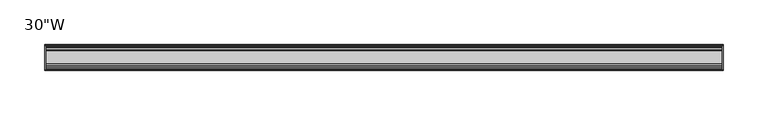
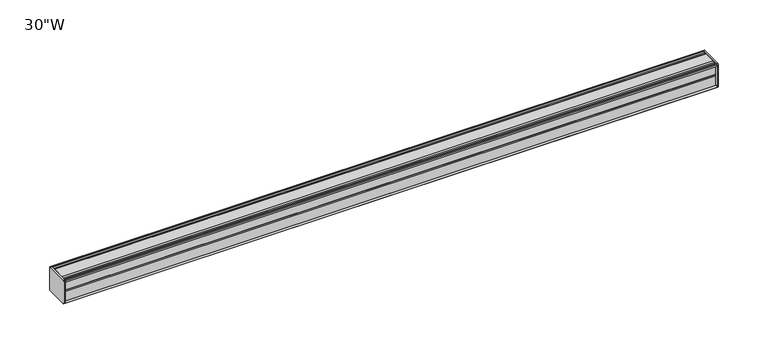
"""IFC4 building model written with IfcOpenShell, lengths in millimetres: furniture geometry."""

from ifc_helpers import new_model, si_unit, frame, origin, place, context, project, spatial, circle_curve, source, transform, mapped, element, save
from ifc_brep_helpers import plane_surface, cylinder_surface, advanced_brep


def furniture_2d2f6cbb(model_context):
    return source(origin(), model_context, "Body", "AdvancedBrep", [
        advanced_brep(
        [(379.4125, 14.5851562, 1107.2436262), (379.4125, 14.5851562, 1081.0932877), (379.4125, 14.4138595, 1080.2873997), (379.4125, 13.8374434, 1079.7109837), (379.4125, 12.9019306, 1079.4603131), (379.4125, -13.4067434, 1079.4603131), (379.4125, -14.3040014, 1080.3575711), (379.4125, -14.5851563, 1081.1259798), (379.4125, -14.5851563, 1107.0443327), (379.4125, -14.3040014, 1107.8127414), (379.4125, -13.4464303, 1108.6703125), (379.4125, 13.0500437, 1108.6703125), (379.4125, 13.8374434, 1108.4593288), (379.4125, 14.4138595, 1107.8829128), (381.0, 14.6248431, 1107.0955131), (381.0, 14.4138595, 1107.8829128), (381.0, 13.8374434, 1108.4593288), (381.0, 13.0500437, 1108.6703125), (381.0, -13.4464303, 1108.6703125), (381.0, -14.3040014, 1107.8127414), (381.0, -14.5851563, 1107.0443327), (381.0, -14.5851563, 1081.1259798), (381.0, -14.3040014, 1080.3575711), (381.0, -13.4067434, 1079.4603131), (381.0, 12.9019306, 1079.4603131), (381.0, 13.8374434, 1079.7109837), (381.0, 14.4138595, 1080.2873997), (381.0, 14.5851562, 1081.0932877)],
        [
            (0, 1),
            (1, 2),
            (2, 3),
            (3, 4),
            (4, 5),
            (5, 6),
            (6, 7, circle_curve(frame((379.4125, -13.3945313, 1081.1259798), z_axis=(-1.0, 0.0, 0.0), x_axis=(0.0, 1.0, 0.0)), 1.190625)),
            (7, 8),
            (8, 9, circle_curve(frame((379.4125, -13.3945313, 1107.0443327), z_axis=(-1.0, 0.0, 0.0), x_axis=(0.0, 1.0, 0.0)), 1.190625)),
            (9, 10),
            (10, 11),
            (11, 12),
            (12, 13),
            (13, 0),
            (14, 15),
            (15, 16),
            (16, 17),
            (17, 18),
            (18, 19),
            (19, 20, circle_curve(frame((381.0, -13.3945313, 1107.0443327), z_axis=(1.0, 0.0, 0.0), x_axis=(0.0, 1.0, 0.0)), 1.190625)),
            (20, 21),
            (21, 22, circle_curve(frame((381.0, -13.3945313, 1081.1259798), z_axis=(1.0, 0.0, 0.0), x_axis=(0.0, 1.0, 0.0)), 1.190625)),
            (22, 23),
            (23, 24),
            (24, 25),
            (25, 26),
            (26, 27),
            (27, 14),
            (13, 15),
            (14, 0),
            (12, 16),
            (11, 17),
            (10, 18),
            (9, 19),
            (8, 20),
            (7, 21),
            (6, 22),
            (5, 23),
            (4, 24),
            (3, 25),
            (2, 26),
            (1, 27),
        ],
        [
            plane_surface(frame((379.4125, 14.5851562, 1081.0932877), z_axis=(-1.0, 0.0, 0.0), x_axis=(0.0, 0.0, -1.0))),
            plane_surface(frame((381.0, 14.5851562, 1081.0932877), z_axis=(1.0, 0.0, 0.0), x_axis=(0.0, 0.0, 1.0))),
            plane_surface(frame((379.4125, 14.4138595, 1107.8829128), z_axis=(0.0, 0.9659256560349851, 0.25881968049857335), x_axis=(1.0, 0.0, 0.0))),
            plane_surface(frame((379.4125, 13.8374434, 1108.4593288), z_axis=(0.0, 0.7071067811866345, 0.7071067811864606), x_axis=(1.0, 0.0, 0.0))),
            plane_surface(frame((379.4125, 13.0500437, 1108.6703125), z_axis=(0.0, 0.2588196804711877, 0.9659256560423232), x_axis=(1.0, 0.0, 0.0))),
            plane_surface(frame((379.4125, -13.4464303, 1108.6703125), z_axis=(0.0, 0.0, 1.0), x_axis=(1.0, 0.0, 0.0))),
            plane_surface(frame((379.4125, -14.3040014, 1107.8127414), z_axis=(0.0, -0.70710678117674, 0.7071067811963553), x_axis=(1.0, 0.0, 0.0))),
            cylinder_surface(frame((381.0, -13.3945313, 1107.0443327), z_axis=(-1.0, 0.0, 0.0), x_axis=(0.0, 1.0, 0.0)), 1.190625),
            plane_surface(frame((379.4125, -14.5851563, 1081.1259798), z_axis=(0.0, -1.0, 0.0), x_axis=(1.0, 0.0, 0.0))),
            cylinder_surface(frame((381.0, -13.3945313, 1081.1259798), z_axis=(-1.0, 0.0, 0.0), x_axis=(0.0, 1.0, 0.0)), 1.190625),
            plane_surface(frame((379.4125, -13.4067434, 1079.4603131), z_axis=(0.0, -0.7071067811917087, -0.7071067811813864), x_axis=(1.0, 0.0, 0.0))),
            plane_surface(frame((379.4125, 12.9019306, 1079.4603131), z_axis=(0.0, 0.0, -1.0), x_axis=(1.0, 0.0, 0.0))),
            plane_surface(frame((379.4125, 13.8374434, 1079.7109837), z_axis=(0.0, 0.2588196804985645, -0.9659256560349875), x_axis=(1.0, 0.0, 0.0))),
            plane_surface(frame((379.4125, 14.4138595, 1080.2873997), z_axis=(0.0, 0.7071067811865204, -0.7071067811865748), x_axis=(1.0, 0.0, 0.0))),
            plane_surface(frame((379.4125, 14.5851562, 1081.0932877), z_axis=(0.0, 0.9781476007310527, -0.207911690830711), x_axis=(1.0, 0.0, 0.0))),
            plane_surface(frame((379.4125, 14.5851562, 1107.2436262), z_axis=(0.0, 1.0, 0.0), x_axis=(1.0, 0.0, 0.0))),
        ],
        [
            (0, [[1, 2, 3, 4, 5, 6, 7, 8, 9, 10, 11, 12, 13, 14]]),
            (1, [[15, 16, 17, 18, 19, 20, 21, 22, 23, 24, 25, 26, 27, 28]]),
            (2, [[-14, 29, -15, 30]]),
            (3, [[-13, 31, -16, -29]]),
            (4, [[-12, 32, -17, -31]]),
            (5, [[-11, 33, -18, -32]]),
            (6, [[-10, 34, -19, -33]]),
            (7, [[-9, 35, -20, -34]]),
            (8, [[-8, 36, -21, -35]]),
            (9, [[-7, 37, -22, -36]]),
            (10, [[-6, 38, -23, -37]]),
            (11, [[-5, 39, -24, -38]]),
            (12, [[-4, 40, -25, -39]]),
            (13, [[-3, 41, -26, -40]]),
            (14, [[-2, 42, -27, -41]]),
            (15, [[-1, -30, -28, -42]]),
        ],
    ),
        advanced_brep(
        [(-379.4125, 14.6248431, 1107.0955131), (-379.4125, 14.4138595, 1107.8829128), (-379.4125, 13.8374434, 1108.4593288), (-379.4125, 13.0500437, 1108.6703125), (-379.4125, -13.4464303, 1108.6703125), (-379.4125, -14.3040014, 1107.8127414), (-379.4125, -14.5851563, 1107.0443327), (-379.4125, -14.5851563, 1081.1259798), (-379.4125, -14.3040014, 1080.3575711), (-379.4125, -13.4067434, 1079.4603131), (-379.4125, 12.9019306, 1079.4603131), (-379.4125, 13.8374434, 1079.7109837), (-379.4125, 14.4138595, 1080.2873997), (-379.4125, 14.5851562, 1081.0932877), (-381.0, 14.5851562, 1107.2436262), (-381.0, 14.5851562, 1081.0932877), (-381.0, 14.4138595, 1080.2873997), (-381.0, 13.8374434, 1079.7109837), (-381.0, 12.9019306, 1079.4603131), (-381.0, -13.4067434, 1079.4603131), (-381.0, -14.3040014, 1080.3575711), (-381.0, -14.5851563, 1081.1259798), (-381.0, -14.5851563, 1107.0443327), (-381.0, -14.3040014, 1107.8127414), (-381.0, -13.4464303, 1108.6703125), (-381.0, 13.0500437, 1108.6703125), (-381.0, 13.8374434, 1108.4593288), (-381.0, 14.4138595, 1107.8829128)],
        [
            (0, 1),
            (1, 2),
            (2, 3),
            (3, 4),
            (4, 5),
            (5, 6, circle_curve(frame((-379.4125, -13.3945313, 1107.0443327), z_axis=(1.0, 0.0, 0.0), x_axis=(0.0, 1.0, 0.0)), 1.190625)),
            (6, 7),
            (7, 8, circle_curve(frame((-379.4125, -13.3945313, 1081.1259798), z_axis=(1.0, 0.0, 0.0), x_axis=(0.0, 1.0, 0.0)), 1.190625)),
            (8, 9),
            (9, 10),
            (10, 11),
            (11, 12),
            (12, 13),
            (13, 0),
            (14, 15),
            (15, 16),
            (16, 17),
            (17, 18),
            (18, 19),
            (19, 20),
            (20, 21, circle_curve(frame((-381.0, -13.3945313, 1081.1259798), z_axis=(-1.0, 0.0, 0.0), x_axis=(0.0, 1.0, 0.0)), 1.190625)),
            (21, 22),
            (22, 23, circle_curve(frame((-381.0, -13.3945313, 1107.0443327), z_axis=(-1.0, 0.0, 0.0), x_axis=(0.0, 1.0, 0.0)), 1.190625)),
            (23, 24),
            (24, 25),
            (25, 26),
            (26, 27),
            (27, 14),
            (0, 14),
            (27, 1),
            (26, 2),
            (25, 3),
            (24, 4),
            (23, 5),
            (22, 6),
            (21, 7),
            (20, 8),
            (19, 9),
            (18, 10),
            (17, 11),
            (16, 12),
            (15, 13),
        ],
        [
            plane_surface(frame((-379.4125, 14.6248431, 1107.0955131), z_axis=(1.0000000000000002, 0.0, 0.0), x_axis=(0.0, -0.25881968043900594, 0.9659256560509463))),
            plane_surface(frame((-381.0, 14.6248431, 1107.0955131), z_axis=(-1.0000000000000002, 0.0, 0.0), x_axis=(0.0, 0.25881968043900594, -0.9659256560509463))),
            plane_surface(frame((-379.4125, 14.6248431, 1107.0955131), z_axis=(0.0, 0.9659256560509463, 0.25881968043900594), x_axis=(-1.0, 0.0, 0.0))),
            plane_surface(frame((-379.4125, 14.4138595, 1107.8829128), z_axis=(0.0, 0.7071067810675442, 0.7071067813055509), x_axis=(-1.0, 0.0, 0.0))),
            plane_surface(frame((-379.4125, 13.8374434, 1108.4593288), z_axis=(0.0, 0.2588196804841774, 0.9659256560388426), x_axis=(-1.0, 0.0, 0.0))),
            plane_surface(frame((-379.4125, 13.0500437, 1108.6703125), z_axis=(0.0, 0.0, 1.0), x_axis=(-1.0, 0.0, 0.0))),
            plane_surface(frame((-379.4125, -13.4464303, 1108.6703125), z_axis=(0.0, -0.7071067811883018, 0.7071067811847932), x_axis=(-1.0, 0.0, 0.0))),
            cylinder_surface(frame((-381.0, -13.3945313, 1107.0443327), z_axis=(1.0, 0.0, 0.0), x_axis=(0.0, 1.0, 0.0)), 1.190625),
            plane_surface(frame((-379.4125, -14.5851563, 1107.0443327), z_axis=(0.0, -1.0, 0.0), x_axis=(-1.0, 0.0, 0.0))),
            cylinder_surface(frame((-381.0, -13.3945313, 1081.1259798), z_axis=(1.0, 0.0, 0.0), x_axis=(0.0, 1.0, 0.0)), 1.190625),
            plane_surface(frame((-379.4125, -14.3040014, 1080.3575711), z_axis=(0.0, -0.7071067811864808, -0.7071067811866142), x_axis=(-1.0, 0.0, 0.0))),
            plane_surface(frame((-379.4125, -13.4067434, 1079.4603131), z_axis=(0.0, 0.0, -1.0), x_axis=(-1.0, 0.0, 0.0))),
            plane_surface(frame((-379.4125, 12.9019306, 1079.4603131), z_axis=(0.0, 0.25881968049856513, -0.9659256560349874), x_axis=(-1.0, 0.0, 0.0))),
            plane_surface(frame((-379.4125, 13.8374434, 1079.7109837), z_axis=(0.0, 0.707106781186519, -0.7071067811865761), x_axis=(-1.0, 0.0, 0.0))),
            plane_surface(frame((-379.4125, 14.4138595, 1080.2873997), z_axis=(0.0, 0.9781476007314348, -0.20791169082891317), x_axis=(-1.0, 0.0, 0.0))),
            plane_surface(frame((-379.4125, 14.5851562, 1081.0932877), z_axis=(0.0, 1.0, 0.0), x_axis=(-1.0, 0.0, 0.0))),
        ],
        [
            (0, [[1, 2, 3, 4, 5, 6, 7, 8, 9, 10, 11, 12, 13, 14]]),
            (1, [[15, 16, 17, 18, 19, 20, 21, 22, 23, 24, 25, 26, 27, 28]]),
            (2, [[-1, 29, -28, 30]]),
            (3, [[-2, -30, -27, 31]]),
            (4, [[-3, -31, -26, 32]]),
            (5, [[-4, -32, -25, 33]]),
            (6, [[-5, -33, -24, 34]]),
            (7, [[-6, -34, -23, 35]]),
            (8, [[-7, -35, -22, 36]]),
            (9, [[-8, -36, -21, 37]]),
            (10, [[-9, -37, -20, 38]]),
            (11, [[-10, -38, -19, 39]]),
            (12, [[-11, -39, -18, 40]]),
            (13, [[-12, -40, -17, 41]]),
            (14, [[-13, -41, -16, 42]]),
            (15, [[-14, -42, -15, -29]]),
        ],
    ),
        advanced_brep(
        [(379.4125, -7.3748315, 1108.6703125), (379.4125, -8.9105708, 1107.6395796), (379.4125, -10.7601399, 1107.6395796), (379.4125, -12.2958792, 1108.6703125), (379.4125, -13.4464303, 1108.6703125), (379.4125, -14.3040014, 1107.8127414), (379.4125, -13.3945313, 1105.8537077), (379.4125, -13.3945313, 1106.765312), (379.4125, -12.2039063, 1106.765312), (379.4125, -12.2039063, 1094.8590632), (379.4125, -11.4101564, 1094.0653134), (379.4125, -12.2039063, 1093.2715636), (379.4125, -12.2039063, 1081.3653131), (379.4125, -13.3945313, 1081.3653131), (379.4125, -13.3945313, 1082.3166048), (379.4125, -14.3040014, 1080.3575711), (379.4125, -13.4067434, 1079.4603131), (379.4125, -12.2958792, 1079.4603131), (379.4125, -10.7601399, 1080.4910471), (379.4125, -8.9105708, 1080.4910471), (379.4125, -7.4339628, 1079.5), (379.4125, 7.4145184, 1079.5), (379.4125, 8.9502576, 1080.5307329), (379.4125, 10.7998291, 1080.5307329), (379.4125, 12.2275037, 1079.5), (379.4125, 13.0500437, 1079.5), (379.4125, 13.8374434, 1079.7109837), (379.4125, 14.4138595, 1080.2873997), (379.4125, 14.5851562, 1081.0932877), (379.4125, 14.5851562, 1107.2436262), (379.4125, 14.4138595, 1107.8829128), (379.4125, 13.8374434, 1108.4593288), (379.4125, 13.0500437, 1108.6703125), (379.4125, 12.2275037, 1108.6703125), (379.4125, 10.7998291, 1107.6395796), (379.4125, 8.9502576, 1107.6395796), (379.4125, 7.4145184, 1108.6703125), (-379.4125, -7.3748315, 1108.6703125), (-379.4125, 7.4145184, 1108.6703125), (-379.4125, 8.9502576, 1107.6395796), (-379.4125, 10.7998291, 1107.6395796), (-379.4125, 12.2275037, 1108.6703125), (-379.4125, 13.0500437, 1108.6703125), (-379.4125, 13.8374434, 1108.4593288), (-379.4125, 14.4138595, 1107.8829128), (-379.4125, 14.6248431, 1107.0955131), (-379.4125, 14.5851562, 1081.0932877), (-379.4125, 14.4138595, 1080.2873997), (-379.4125, 13.8374434, 1079.7109837), (-379.4125, 13.0500437, 1079.5), (-379.4125, 12.2275037, 1079.5), (-379.4125, 10.7998291, 1080.5307329), (-379.4125, 8.9502576, 1080.5307329), (-379.4125, 7.4145184, 1079.5), (-379.4125, -7.4339628, 1079.5), (-379.4125, -8.9105708, 1080.4910471), (-379.4125, -10.7601399, 1080.4910471), (-379.4125, -12.2958792, 1079.4603131), (-379.4125, -13.4067434, 1079.4603131), (-379.4125, -14.3040014, 1080.3575711), (-379.4125, -13.3945313, 1082.3166048), (-379.4125, -13.3945313, 1081.3653131), (-379.4125, -12.2039063, 1081.3653131), (-379.4125, -12.2039063, 1093.2715636), (-379.4125, -11.4101564, 1094.0653134), (-379.4125, -12.2039063, 1094.8590632), (-379.4125, -12.2039063, 1106.765312), (-379.4125, -13.3945313, 1106.765312), (-379.4125, -13.3945313, 1105.8537077), (-379.4125, -14.3040014, 1107.8127414), (-379.4125, -13.4464303, 1108.6703125), (-379.4125, -12.2958792, 1108.6703125), (-379.4125, -10.7601399, 1107.6395796), (-379.4125, -8.9105708, 1107.6395796)],
        [
            (0, 1),
            (1, 2),
            (2, 3),
            (3, 4),
            (4, 5),
            (5, 6, circle_curve(frame((379.4125, -13.3945313, 1107.0443327), z_axis=(1.0, 0.0, 0.0), x_axis=(0.0, 1.0, 0.0)), 1.190625)),
            (6, 7),
            (7, 8),
            (8, 9),
            (9, 10),
            (10, 11),
            (11, 12),
            (12, 13),
            (13, 14),
            (14, 15, circle_curve(frame((379.4125, -13.3945313, 1081.1259798), z_axis=(1.0, 0.0, 0.0), x_axis=(0.0, 1.0, 0.0)), 1.190625)),
            (15, 16),
            (16, 17),
            (17, 18),
            (18, 19),
            (19, 20),
            (20, 21),
            (21, 22),
            (22, 23),
            (23, 24),
            (24, 25),
            (25, 26),
            (26, 27),
            (27, 28),
            (28, 29),
            (29, 30),
            (30, 31),
            (31, 32),
            (32, 33),
            (33, 34),
            (34, 35),
            (35, 36),
            (36, 0),
            (37, 38),
            (38, 39),
            (39, 40),
            (40, 41),
            (41, 42),
            (42, 43),
            (43, 44),
            (44, 45),
            (45, 46),
            (46, 47),
            (47, 48),
            (48, 49),
            (49, 50),
            (50, 51),
            (51, 52),
            (52, 53),
            (53, 54),
            (54, 55),
            (55, 56),
            (56, 57),
            (57, 58),
            (58, 59),
            (59, 60, circle_curve(frame((-379.4125, -13.3945313, 1081.1259798), z_axis=(-1.0, 0.0, 0.0), x_axis=(0.0, 1.0, 0.0)), 1.190625)),
            (60, 61),
            (61, 62),
            (62, 63),
            (63, 64),
            (64, 65),
            (65, 66),
            (66, 67),
            (67, 68),
            (68, 69, circle_curve(frame((-379.4125, -13.3945313, 1107.0443327), z_axis=(-1.0, 0.0, 0.0), x_axis=(0.0, 1.0, 0.0)), 1.190625)),
            (69, 70),
            (70, 71),
            (71, 72),
            (72, 73),
            (73, 37),
            (0, 37),
            (73, 1),
            (72, 2),
            (71, 3),
            (70, 4),
            (69, 5),
            (68, 6),
            (67, 7),
            (66, 8),
            (65, 9),
            (64, 10),
            (63, 11),
            (62, 12),
            (61, 13),
            (60, 14),
            (59, 15),
            (58, 16),
            (57, 17),
            (56, 18),
            (55, 19),
            (54, 20),
            (53, 21),
            (52, 22),
            (51, 23),
            (50, 24),
            (49, 25),
            (48, 26),
            (47, 27),
            (46, 28),
            (45, 29),
            (44, 30),
            (43, 31),
            (42, 32),
            (41, 33),
            (40, 34),
            (39, 35),
            (38, 36),
        ],
        [
            plane_surface(frame((379.4125, -7.3748315, 1108.6703125), z_axis=(1.0, 0.0, 0.0), x_axis=(0.0, -0.8303227972603312, -0.5572827400429506))),
            plane_surface(frame((-379.4125, -7.3748315, 1108.6703125), z_axis=(-1.0, 0.0, 0.0), x_axis=(0.0, 0.8303227972603312, 0.5572827400429506))),
            plane_surface(frame((379.4125, -7.3748315, 1108.6703125), z_axis=(0.0, -0.5572827400429506, 0.8303227972603312), x_axis=(-1.0, 0.0, 0.0))),
            plane_surface(frame((379.4125, -8.9105708, 1107.6395796), z_axis=(0.0, 0.0, 1.0), x_axis=(-1.0, 0.0, 0.0))),
            plane_surface(frame((379.4125, -10.7601399, 1107.6395796), z_axis=(0.0, 0.557282740042951, 0.8303227972603311), x_axis=(-1.0, 0.0, 0.0))),
            plane_surface(frame((379.4125, -12.2958792, 1108.6703125), z_axis=(0.0, 0.0, 1.0), x_axis=(-1.0, 0.0, 0.0))),
            plane_surface(frame((379.4125, -13.4464303, 1108.6703125), z_axis=(0.0, -0.7071067811813769, 0.7071067811917182), x_axis=(-1.0, 0.0, 0.0))),
            cylinder_surface(frame((-379.4125, -13.3945313, 1107.0443327), z_axis=(1.0, 0.0, 0.0), x_axis=(0.0, 1.0, 0.0)), 1.190625),
            plane_surface(frame((379.4125, -13.3945313, 1105.8537077), z_axis=(0.0, 1.0, 0.0), x_axis=(-1.0, 0.0, 0.0))),
            plane_surface(frame((379.4125, -13.3945313, 1106.765312), z_axis=(0.0, 0.0, -1.0), x_axis=(-1.0, 0.0, 0.0))),
            plane_surface(frame((379.4125, -12.2039063, 1106.765312), z_axis=(0.0, -1.0, 0.0), x_axis=(-1.0, 0.0, 0.0))),
            plane_surface(frame((379.4125, -12.2039063, 1094.8590632), z_axis=(0.0, -0.7071067811865146, -0.7071067811865805), x_axis=(-1.0, 0.0, 0.0))),
            plane_surface(frame((379.4125, -11.4101564, 1094.0653134), z_axis=(0.0, -0.7071067811865522, 0.7071067811865428), x_axis=(-1.0, 0.0, 0.0))),
            plane_surface(frame((379.4125, -12.2039063, 1093.2715636), z_axis=(0.0, -1.0, 0.0), x_axis=(-1.0, 0.0, 0.0))),
            plane_surface(frame((379.4125, -12.2039063, 1081.3653131), z_axis=(0.0, 0.0, 1.0), x_axis=(-1.0, 0.0, 0.0))),
            plane_surface(frame((379.4125, -13.3945313, 1081.3653131), z_axis=(0.0, 1.0, 0.0), x_axis=(-1.0, 0.0, 0.0))),
            cylinder_surface(frame((-379.4125, -13.3945313, 1081.1259798), z_axis=(1.0, 0.0, 0.0), x_axis=(0.0, 1.0, 0.0)), 1.190625),
            plane_surface(frame((379.4125, -14.3040014, 1080.3575711), z_axis=(0.0, -0.7071067811865892, -0.7071067811865058), x_axis=(-1.0, 0.0, 0.0))),
            plane_surface(frame((379.4125, -13.4067434, 1079.4603131), z_axis=(0.0, 0.0, -1.0), x_axis=(-1.0, 0.0, 0.0))),
            plane_surface(frame((379.4125, -12.2958792, 1079.4603131), z_axis=(0.0, 0.5572831632988446, -0.8303225131860712), x_axis=(-1.0, 0.0, 0.0))),
            plane_surface(frame((379.4125, -10.7601399, 1080.4910471), z_axis=(0.0, 0.0, -1.0), x_axis=(-1.0, 0.0, 0.0))),
            plane_surface(frame((379.4125, -8.9105708, 1080.4910471), z_axis=(0.0, -0.5572831633036728, -0.8303225131828307), x_axis=(-1.0, 0.0, 0.0))),
            plane_surface(frame((379.4125, -7.4339628, 1079.5), z_axis=(0.0, 0.0, -1.0), x_axis=(-1.0, 0.0, 0.0))),
            plane_surface(frame((379.4125, 7.4145184, 1079.5), z_axis=(0.0, 0.5572827400522353, -0.8303227972540997), x_axis=(-1.0, 0.0, 0.0))),
            plane_surface(frame((379.4125, 8.9502576, 1080.5307329), z_axis=(0.0, 0.0, -1.0), x_axis=(-1.0, 0.0, 0.0))),
            plane_surface(frame((379.4125, 10.7998291, 1080.5307329), z_axis=(0.0, -0.5853541342124147, -0.8107777362264177), x_axis=(-1.0, 0.0, 0.0))),
            plane_surface(frame((379.4125, 12.2275037, 1079.5), z_axis=(0.0, 0.0, -1.0), x_axis=(-1.0, 0.0, 0.0))),
            plane_surface(frame((379.4125, 13.0500437, 1079.5), z_axis=(0.0, 0.2588196804985639, -0.9659256560349877), x_axis=(-1.0, 0.0, 0.0))),
            plane_surface(frame((379.4125, 13.8374434, 1079.7109837), z_axis=(0.0, 0.7071067811865592, -0.7071067811865358), x_axis=(-1.0, 0.0, 0.0))),
            plane_surface(frame((379.4125, 14.4138595, 1080.2873997), z_axis=(0.0, 0.9781476007314349, -0.20791169082891267), x_axis=(-1.0, 0.0, 0.0))),
            plane_surface(frame((379.4125, 14.5851562, 1081.0932877), z_axis=(0.0, 1.0, 0.0), x_axis=(-1.0, 0.0, 0.0))),
            plane_surface(frame((379.4125, 14.6248431, 1107.0955131), z_axis=(0.0, 0.9659256560510352, 0.2588196804386741), x_axis=(-1.0, 0.0, 0.0))),
            plane_surface(frame((379.4125, 14.4138595, 1107.8829128), z_axis=(0.0, 0.7071067810667437, 0.7071067813063513), x_axis=(-1.0, 0.0, 0.0))),
            plane_surface(frame((379.4125, 13.8374434, 1108.4593288), z_axis=(0.0, 0.2588196804843108, 0.9659256560388069), x_axis=(-1.0, 0.0, 0.0))),
            plane_surface(frame((379.4125, 13.0500437, 1108.6703125), z_axis=(0.0, 0.0, 1.0), x_axis=(-1.0, 0.0, 0.0))),
            plane_surface(frame((379.4125, 12.2275037, 1108.6703125), z_axis=(0.0, -0.5853541342077658, 0.810777736229774), x_axis=(-1.0, 0.0, 0.0))),
            plane_surface(frame((379.4125, 10.7998291, 1107.6395796), z_axis=(0.0, 0.0, 1.0), x_axis=(-1.0, 0.0, 0.0))),
            plane_surface(frame((379.4125, 8.9502576, 1107.6395796), z_axis=(0.0, 0.557282740042951, 0.8303227972603311), x_axis=(-1.0, 0.0, 0.0))),
            plane_surface(frame((379.4125, 7.4145184, 1108.6703125), z_axis=(0.0, 0.0, 1.0), x_axis=(-1.0, 0.0, 0.0))),
        ],
        [
            (0, [[1, 2, 3, 4, 5, 6, 7, 8, 9, 10, 11, 12, 13, 14, 15, 16, 17, 18, 19, 20, 21, 22, 23, 24, 25, 26, 27, 28, 29, 30, 31, 32, 33, 34, 35, 36, 37]]),
            (1, [[38, 39, 40, 41, 42, 43, 44, 45, 46, 47, 48, 49, 50, 51, 52, 53, 54, 55, 56, 57, 58, 59, 60, 61, 62, 63, 64, 65, 66, 67, 68, 69, 70, 71, 72, 73, 74]]),
            (2, [[-1, 75, -74, 76]]),
            (3, [[-2, -76, -73, 77]]),
            (4, [[-3, -77, -72, 78]]),
            (5, [[-4, -78, -71, 79]]),
            (6, [[-5, -79, -70, 80]]),
            (7, [[-6, -80, -69, 81]]),
            (8, [[-7, -81, -68, 82]]),
            (9, [[-8, -82, -67, 83]]),
            (10, [[-9, -83, -66, 84]]),
            (11, [[-10, -84, -65, 85]]),
            (12, [[-11, -85, -64, 86]]),
            (13, [[-12, -86, -63, 87]]),
            (14, [[-13, -87, -62, 88]]),
            (15, [[-14, -88, -61, 89]]),
            (16, [[-15, -89, -60, 90]]),
            (17, [[-16, -90, -59, 91]]),
            (18, [[-17, -91, -58, 92]]),
            (19, [[-18, -92, -57, 93]]),
            (20, [[-19, -93, -56, 94]]),
            (21, [[-20, -94, -55, 95]]),
            (22, [[-21, -95, -54, 96]]),
            (23, [[-22, -96, -53, 97]]),
            (24, [[-23, -97, -52, 98]]),
            (25, [[-24, -98, -51, 99]]),
            (26, [[-25, -99, -50, 100]]),
            (27, [[-26, -100, -49, 101]]),
            (28, [[-27, -101, -48, 102]]),
            (29, [[-28, -102, -47, 103]]),
            (30, [[-29, -103, -46, 104]]),
            (31, [[-30, -104, -45, 105]]),
            (32, [[-31, -105, -44, 106]]),
            (33, [[-32, -106, -43, 107]]),
            (34, [[-33, -107, -42, 108]]),
            (35, [[-34, -108, -41, 109]]),
            (36, [[-35, -109, -40, 110]]),
            (37, [[-36, -110, -39, 111]]),
            (38, [[-37, -111, -38, -75]]),
        ],
    ),
    ])


if __name__ == "__main__":
    model = new_model("IFC4")
    model_context = context("Model", 3, world=origin())
    ifc_project = project(units=[si_unit("LENGTHUNIT", "METRE", prefix="MILLI")], contexts=[model_context])
    site = spatial("IfcSite", under=ifc_project)
    building = spatial("IfcBuilding", under=site)
    placement = place(None, origin())
    furniture_shape = furniture_2d2f6cbb(model_context)
    element("IfcFurniture", 1, ObjectType="30\"W", at=placement, inside=building, context=model_context, shape_type="MappedRepresentation", body=[
        mapped(furniture_shape, transform((0.0, 0.0, 0.0), x_axis=(1.0, 0.0, 0.0), y_axis=(0.0, 1.0, 0.0), z_axis=(0.0, 0.0, 1.0))),
    ])
    save(model, "model.ifc")
